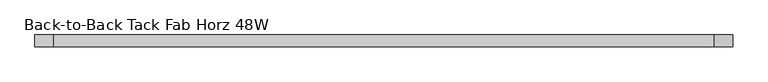
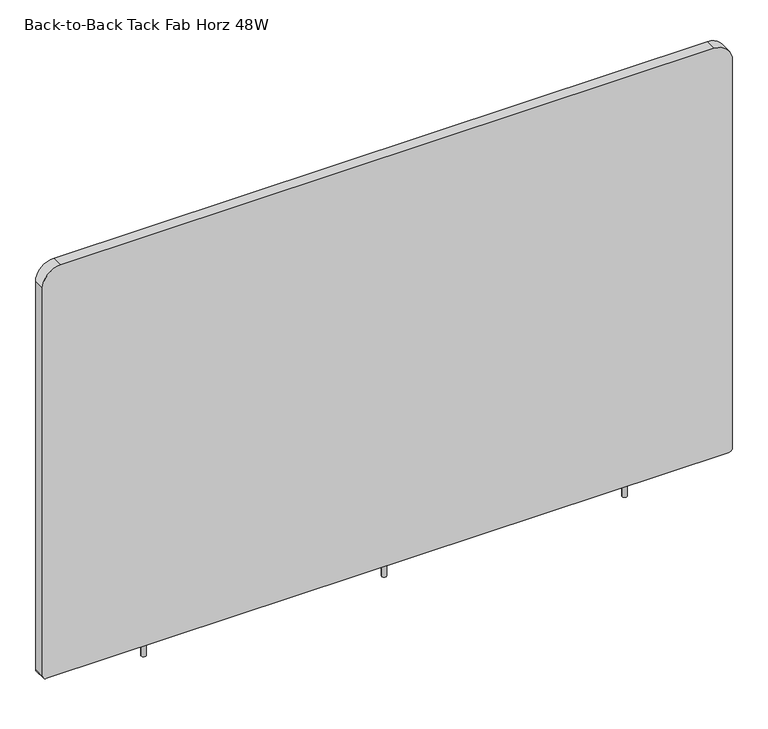
"""IFC4 building model written with IfcOpenShell, lengths in millimetres: furniture geometry, Back-to-Back Tack Fab Horz 48W."""

from ifc_helpers import new_model, si_unit, point, frame, frame_2d, origin, place, context, project, spatial, polyline, circle_curve, trimmed, segment, composite_curve, outline, extrude, source, transform, mapped, element, save


def back_to_back_tack_fab_horz_48w_894e8cde(model_context):
    return source(origin(), model_context, "Body", "SweptSolid", [
        extrude(outline(composite_curve([segment(trimmed(circle_curve(frame_2d((558.8, 0.0)), 3.81), [point((554.99, 0.0))], [point((562.61, 0.0))], False, "CARTESIAN"), True, "CONTINUOUS"), segment(trimmed(circle_curve(frame_2d((558.8, 0.0)), 3.81), [point((562.61, 0.0))], [point((554.99, 0.0))], False, "CARTESIAN"), True, "CONTINUOUS")], self_intersect=False)), frame((0.0, 0.0, 433.4256), z_axis=(0.0, 0.0, 1.0), x_axis=(1.0, 0.0, 0.0)), (0.0, 0.0, 1.0), 26.3906),
        extrude(outline(composite_curve([segment(trimmed(circle_curve(frame_2d((948.309, 0.0)), 3.81), [point((944.499, 0.0))], [point((952.119, 0.0))], False, "CARTESIAN"), True, "CONTINUOUS"), segment(trimmed(circle_curve(frame_2d((948.309, 0.0)), 3.81), [point((952.119, 0.0))], [point((944.499, 0.0))], False, "CARTESIAN"), True, "CONTINUOUS")], self_intersect=False)), frame((0.0, 0.0, 433.4256), z_axis=(0.0, 0.0, 1.0), x_axis=(1.0, 0.0, 0.0)), (0.0, 0.0, 1.0), 26.3906),
        extrude(outline(composite_curve([segment(trimmed(circle_curve(frame_2d((169.291, 0.0)), 3.81), [point((165.481, 0.0))], [point((173.101, 0.0))], False, "CARTESIAN"), True, "CONTINUOUS"), segment(trimmed(circle_curve(frame_2d((169.291, 0.0)), 3.81), [point((173.101, 0.0))], [point((165.481, 0.0))], False, "CARTESIAN"), True, "CONTINUOUS")], self_intersect=False)), frame((0.0, 0.0, 433.4256), z_axis=(0.0, 0.0, 1.0), x_axis=(1.0, 0.0, 0.0)), (0.0, 0.0, 1.0), 26.3906),
        extrude(outline(composite_curve([segment(polyline([(1156.5382, 1087.7042), (1156.5382, 29.8958)]), True, "CONTINUOUS"), segment(trimmed(circle_curve(frame_2d((1126.6424, 29.8958)), 29.8958), [point((1156.5382, 29.8958))], [point((1126.6424, 0.0))], False, "CARTESIAN"), True, "CONTINUOUS"), segment(polyline([(1126.6424, 0.0), (462.6102, 0.0)]), True, "CONTINUOUS"), segment(trimmed(circle_curve(frame_2d((462.6102, 6.35)), 6.35), [point((462.6102, 0.0))], [point((456.2602, 6.35))], False, "CARTESIAN"), True, "CONTINUOUS"), segment(polyline([(456.2602, 6.35), (456.2602, 1111.25)]), True, "CONTINUOUS"), segment(trimmed(circle_curve(frame_2d((462.6102, 1111.25)), 6.35), [point((456.2602, 1111.25))], [point((462.6102, 1117.6))], False, "CARTESIAN"), True, "CONTINUOUS"), segment(polyline([(462.6102, 1117.6), (1126.6424, 1117.6)]), True, "CONTINUOUS"), segment(trimmed(circle_curve(frame_2d((1126.6424, 1087.7042)), 29.8958), [point((1126.6424, 1117.6))], [point((1156.5382, 1087.7042))], False, "CARTESIAN"), True, "CONTINUOUS")], self_intersect=False)), frame((0.0, -9.5295067, 0.0), z_axis=(0.0, 1.0, 0.0), x_axis=(0.0, 0.0, 1.0)), (0.0, 0.0, 1.0), 19.05),
    ])


if __name__ == "__main__":
    model = new_model("IFC4")
    model_context = context("Model", 3, world=origin())
    ifc_project = project(units=[si_unit("LENGTHUNIT", "METRE", prefix="MILLI")], contexts=[model_context])
    site = spatial("IfcSite", under=ifc_project)
    building = spatial("IfcBuilding", under=site)
    placement = place(None, origin())
    back_to_back_tack_fab_horz_48w_shape = back_to_back_tack_fab_horz_48w_894e8cde(model_context)
    element("IfcFurniture", 1, ObjectType="Back-to-Back Tack Fab Horz 48W", at=placement, inside=building, context=model_context, shape_type="MappedRepresentation", body=[
        mapped(back_to_back_tack_fab_horz_48w_shape, transform((0.0, 0.0, 0.0), x_axis=(1.0, 0.0, 0.0), y_axis=(0.0, 1.0, 0.0), z_axis=(0.0, 0.0, 1.0))),
    ])
    save(model, "model.ifc")
